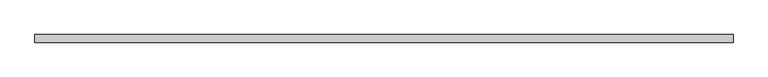
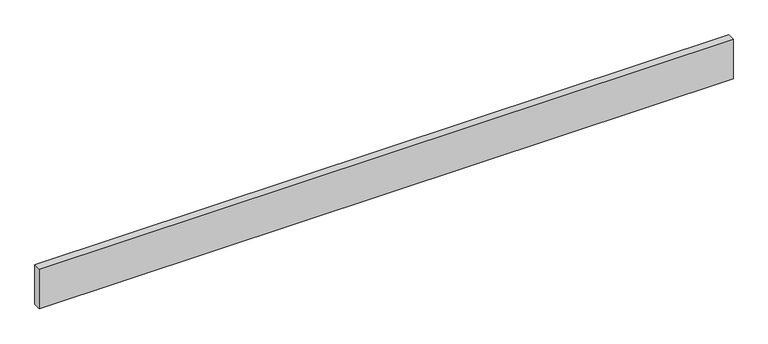
"""IFC4 building model written with IfcOpenShell, lengths in millimetres: beam geometry."""

from ifc_helpers import new_model, si_unit, frame, origin, place, context, project, spatial, polyline, outline, extrude, source, transform, mapped, element, save


def beam_502ad39e(model_context):
    return source(origin(), model_context, "Body", "SweptSolid", [
        extrude(outline(polyline([(1653.5, -18.0), (-1653.5, -18.0), (-1653.5, 18.0), (1653.5, 18.0), (1653.5, -18.0)])), frame((0.0, 0.0, -100.0), z_axis=(0.0, 0.0, 1.0), x_axis=(1.0, 0.0, 0.0)), (0.0, 0.0, 1.0), 200.0),
    ])


if __name__ == "__main__":
    model = new_model("IFC4")
    model_context = context("Model", 3, world=origin())
    ifc_project = project(units=[si_unit("LENGTHUNIT", "METRE", prefix="MILLI")], contexts=[model_context])
    site = spatial("IfcSite", under=ifc_project)
    building = spatial("IfcBuilding", under=site)
    placement = place(None, origin())
    beam_shape = beam_502ad39e(model_context)
    element("IfcBeam", 1, at=placement, inside=building, context=model_context, shape_type="MappedRepresentation", body=[
        mapped(beam_shape, transform((0.0, 0.0, 0.0), x_axis=(1.0, 0.0, 0.0), y_axis=(0.0, 1.0, 0.0), z_axis=(0.0, 0.0, 1.0))),
    ])
    save(model, "model.ifc")
